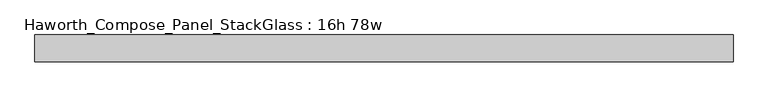
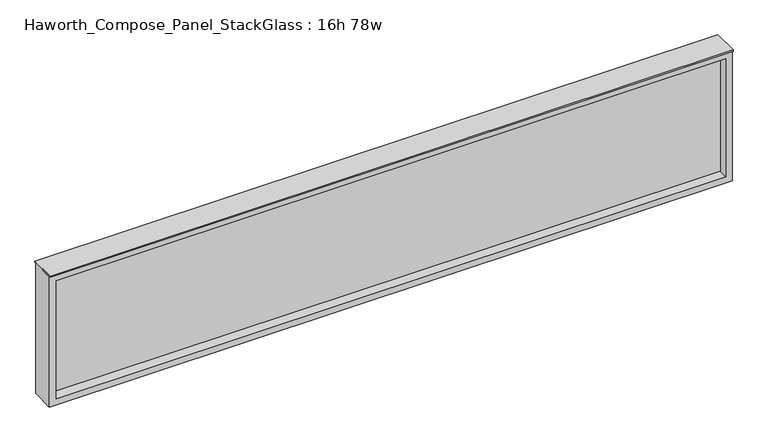
"""IFC4 building model written with IfcOpenShell, lengths in millimetres: furniture geometry, Haworth_Compose_Panel_StackGlass : 16h 78w."""

import ifcopenshell
import ifcopenshell.guid

model = None  # the IFC model being written
_history = None  # IfcOwnerHistory: only IFC2X3 demands one
_inside = {}  # id of a spatial element -> (the spatial element, [elements in it])
_under = {}  # id of a project, library or spatial element -> (it, [spatial elements below it])
_declared = {}  # id of a project -> (the project, [libraries it declares])
_typed = {}  # id of a type object -> (the type object, [elements of that type])
_made_of = {}  # id of a material, layer set ... -> (it, [elements and type objects made of it])


def new_model(schema):
    """Start an empty IFC model of exactly this schema.

    Asked for "IFC4X3", IfcOpenShell would pick the latest addendum, in which some entities
    have other attributes; the version numbers below select the first issue.
    IFC2X3 requires an IfcOwnerHistory on every rooted entity: one is made here for all.
    """
    global model, _history
    if schema == "IFC4X3":
        model = ifcopenshell.file(schema_version=(4, 3, 0, 0))
    else:
        model = ifcopenshell.file(schema=schema)
    _inside.clear()
    _under.clear()
    _declared.clear()
    _typed.clear()
    _made_of.clear()
    _history = None
    if model.schema == "IFC2X3":
        org = make("IfcOrganization", Name="unknown")
        user = make(
            "IfcPersonAndOrganization",
            ThePerson=make("IfcPerson", FamilyName="unknown"),
            TheOrganization=org,
        )
        app = make(
            "IfcApplication",
            ApplicationDeveloper=org,
            Version="unknown",
            ApplicationFullName="unknown",
            ApplicationIdentifier="unknown",
        )
        _history = make(
            "IfcOwnerHistory",
            OwningUser=user,
            OwningApplication=app,
            ChangeAction="ADDED",
            CreationDate=0,
        )
    return model


def make(cls, **values):
    """One entity of the class cls with the attributes given. An attribute that is None is left unset."""
    return model.create_entity(
        cls, **{name: value for name, value in values.items() if value is not None}
    )


def rooted(cls, **values):
    """An entity with a GlobalId (a new one), such as an element, a storey or a relation."""
    return make(cls, GlobalId=ifcopenshell.guid.new(), OwnerHistory=_history, **values)


def si_unit(unit_type, name, prefix=None):
    """IfcSIUnit, for example si_unit("LENGTHUNIT", "METRE", prefix="MILLI")."""
    return make("IfcSIUnit", UnitType=unit_type, Prefix=prefix, Name=name)


def assignment(units):
    """IfcUnitAssignment: the units of a project."""
    return None if units is None else make("IfcUnitAssignment", Units=units)


def point(xyz):
    """IfcCartesianPoint."""
    return None if xyz is None else make("IfcCartesianPoint", Coordinates=xyz)


def direction(xyz):
    """IfcDirection."""
    return None if xyz is None else make("IfcDirection", DirectionRatios=xyz)


def frame(location, z_axis=None, x_axis=None):
    """IfcAxis2Placement3D, a coordinate frame: its origin and axes. An axis left out is left unset."""
    return make(
        "IfcAxis2Placement3D",
        Location=point(location),
        Axis=direction(z_axis),
        RefDirection=direction(x_axis),
    )


def origin():
    """The frame at (0, 0, 0) with its axes left unset."""
    return frame((0.0, 0.0, 0.0))


def place(relative_to, where):
    """IfcLocalPlacement: puts the frame where relative to a parent placement (None: the world)."""
    return make(
        "IfcLocalPlacement", PlacementRelTo=relative_to, RelativePlacement=where
    )


def context(
    kind, dimensions, precision=None, world=None, true_north=None, identifier=None
):
    """IfcGeometricRepresentationContext, for example the 3D "Model" context."""
    return make(
        "IfcGeometricRepresentationContext",
        ContextIdentifier=identifier,
        ContextType=kind,
        CoordinateSpaceDimension=dimensions,
        Precision=precision,
        WorldCoordinateSystem=world,
        TrueNorth=true_north,
    )


def project(units=None, contexts=None):
    """IfcProject with its units and contexts."""
    return rooted(
        "IfcProject",
        Name="project",
        RepresentationContexts=contexts,
        UnitsInContext=assignment(units),
    )


def spatial(cls, under=None, at=None, **own):
    """A site, building, storey or space (cls), placed at a placement, below another one or the project."""
    s = rooted(cls, ObjectPlacement=at, **own)
    if under is not None:
        _under.setdefault(under.id(), (under, []))[1].append(s)
    return s


def polyline(points):
    """IfcPolyline through the points."""
    return make("IfcPolyline", Points=[point(p) for p in points])


def outline(outer, holes=None, kind="AREA"):
    """IfcArbitraryClosedProfileDef: a profile drawn as a closed curve; with holes, ...WithVoids."""
    if holes is None:
        return make("IfcArbitraryClosedProfileDef", ProfileType=kind, OuterCurve=outer)
    return make(
        "IfcArbitraryProfileDefWithVoids",
        ProfileType=kind,
        OuterCurve=outer,
        InnerCurves=holes,
    )


def extrude(swept, where, along, depth):
    """IfcExtrudedAreaSolid: the profile swept, set in the frame where, extruded along a direction by depth."""
    return make(
        "IfcExtrudedAreaSolid",
        SweptArea=swept,
        Position=where,
        ExtrudedDirection=direction(along),
        Depth=depth,
    )


def shape(context_of_items, identifier, shape_type, items):
    """IfcShapeRepresentation: the items that make up one representation, for example the "Body"."""
    return make(
        "IfcShapeRepresentation",
        ContextOfItems=context_of_items,
        RepresentationIdentifier=identifier,
        RepresentationType=shape_type,
        Items=items,
    )


def source(mapping_origin, context_of_items, identifier, shape_type, items):
    """IfcRepresentationMap: a shape defined once, which mapped items show again and again."""
    return make(
        "IfcRepresentationMap",
        MappingOrigin=mapping_origin,
        MappedRepresentation=shape(context_of_items, identifier, shape_type, items),
    )


def transform(
    local_origin,
    x_axis=None,
    y_axis=None,
    z_axis=None,
    scale=None,
    scale2=None,
    scale3=None,
    uniform=True,
):
    """IfcCartesianTransformationOperator3D, or its non-uniform kind. x_axis, y_axis, z_axis: its Axis1, 2, 3."""
    if uniform:
        return make(
            "IfcCartesianTransformationOperator3D",
            Axis1=direction(x_axis),
            Axis2=direction(y_axis),
            LocalOrigin=point(local_origin),
            Scale=scale,
            Axis3=direction(z_axis),
        )
    return make(
        "IfcCartesianTransformationOperator3DnonUniform",
        Axis1=direction(x_axis),
        Axis2=direction(y_axis),
        LocalOrigin=point(local_origin),
        Scale=scale,
        Axis3=direction(z_axis),
        Scale2=scale2,
        Scale3=scale3,
    )


def mapped(mapping_source, mapping_target):
    """IfcMappedItem: shows the shape of a source again, moved by a transform."""
    return make(
        "IfcMappedItem", MappingSource=mapping_source, MappingTarget=mapping_target
    )


def made_of(thing, what):
    """Note that an element or type object is made of a material, layer set ...; save() writes the relation."""
    if what is not None:
        _made_of.setdefault(what.id(), (what, []))[1].append(thing)
    return thing


def element(
    cls,
    number,
    at=None,
    inside=None,
    cuts=None,
    type_object=None,
    material=None,
    context=None,
    identifier="Body",
    shape_type=None,
    held_by="IfcProductDefinitionShape",
    body=None,
    shapes=None,
    **own,
):
    """One element of the class cls, such as IfcWall. Its Tag is "e" and its number.

    at: its placement. inside: the storey or other place that contains it. cuts: it is an
    opening in that element (IfcRelVoidsElement). A single representation is given by context,
    identifier, shape_type and body (its items); several are given by shapes. held_by: the class
    of the entity that holds the representations. save() writes the other relations.
    """
    e = rooted(cls, Tag="e%d" % number, ObjectPlacement=at, **own)
    if body is not None:
        shapes = [shape(context, identifier, shape_type, body)]
    if shapes is not None:
        e.Representation = make(held_by, Representations=shapes)
    if inside is not None:
        _inside.setdefault(inside.id(), (inside, []))[1].append(e)
    if cuts is not None:
        rooted(
            "IfcRelVoidsElement", RelatingBuildingElement=cuts, RelatedOpeningElement=e
        )
    if type_object is not None:
        _typed.setdefault(type_object.id(), (type_object, []))[1].append(e)
    return made_of(e, material)


def aggregate(whole, parts):
    """IfcRelAggregates: a whole, such as a stair, and the parts it consists of."""
    return rooted("IfcRelAggregates", RelatingObject=whole, RelatedObjects=parts)


def save(model, path):
    """Write the relations noted so far, then the file.

    IfcRelAggregates (storeys below a building ...), IfcRelContainedInSpatialStructure (elements
    in a storey), IfcRelDefinesByType, IfcRelAssociatesMaterial and IfcRelDeclares: one each for
    every whole, place, type object, material and project.
    """
    for whole, parts in _under.values():
        aggregate(whole, parts)
    for where, things in _inside.values():
        rooted(
            "IfcRelContainedInSpatialStructure",
            RelatedElements=things,
            RelatingStructure=where,
        )
    for kind, things in _typed.values():
        rooted("IfcRelDefinesByType", RelatedObjects=things, RelatingType=kind)
    for what, things in _made_of.values():
        rooted("IfcRelAssociatesMaterial", RelatedObjects=things, RelatingMaterial=what)
    for by, libraries in _declared.values():
        rooted("IfcRelDeclares", RelatingContext=by, RelatedDefinitions=libraries)
    model.write(path)


def haworth_compose_panel_stackglass_16h_78w_eb1936c0(model_context):
    return source(origin(), model_context, "Body", "SweptSolid", [
        extrude(outline(polyline([(973.9902902, -6.35), (-969.1097098, -6.35), (-969.1097098, 6.35), (973.9902902, 6.35), (973.9902902, -6.35)])), frame((0.0, 0.0, 1085.85), z_axis=(0.0, 0.0, 1.0), x_axis=(1.0, 0.0, 0.0)), (0.0, 0.0, 1.0), 361.95),
        extrude(outline(polyline([(1466.85, -988.1597098), (1066.8, -988.1597098), (1066.8, 993.0402902), (1466.85, 993.0402902), (1466.85, -988.1597098)]), holes=[polyline([(1447.8, 973.9902902), (1085.85, 973.9902902), (1085.85, -969.1097098), (1447.8, -969.1097098), (1447.8, 973.9902902)])]), frame((0.0, -34.925, 0.0), z_axis=(0.0, 1.0, 0.0), x_axis=(0.0, 0.0, 1.0)), (0.0, 0.0, 1.0), 69.85),
        extrude(outline(polyline([(-988.1597098, -38.1), (-988.1597098, 38.1), (993.0402902, 38.1), (993.0402902, -38.1), (-988.1597098, -38.1)])), frame((0.0, 0.0, 1466.85), z_axis=(0.0, 0.0, 1.0), x_axis=(1.0, 0.0, 0.0)), (0.0, 0.0, 1.0), 3.175),
    ])


if __name__ == "__main__":
    model = new_model("IFC4")
    model_context = context("Model", 3, world=origin())
    ifc_project = project(units=[si_unit("LENGTHUNIT", "METRE", prefix="MILLI")], contexts=[model_context])
    site = spatial("IfcSite", under=ifc_project)
    building = spatial("IfcBuilding", under=site)
    placement = place(None, origin())
    haworth_compose_panel_stackglass_16h_78w_shape = haworth_compose_panel_stackglass_16h_78w_eb1936c0(model_context)
    element("IfcFurniture", 1, ObjectType="Haworth_Compose_Panel_StackGlass : 16h 78w", at=placement, inside=building, context=model_context, shape_type="MappedRepresentation", body=[
        mapped(haworth_compose_panel_stackglass_16h_78w_shape, transform((0.0, 0.0, 0.0), x_axis=(1.0, 0.0, 0.0), y_axis=(0.0, 1.0, 0.0), z_axis=(0.0, 0.0, 1.0))),
    ])
    save(model, "model.ifc")
